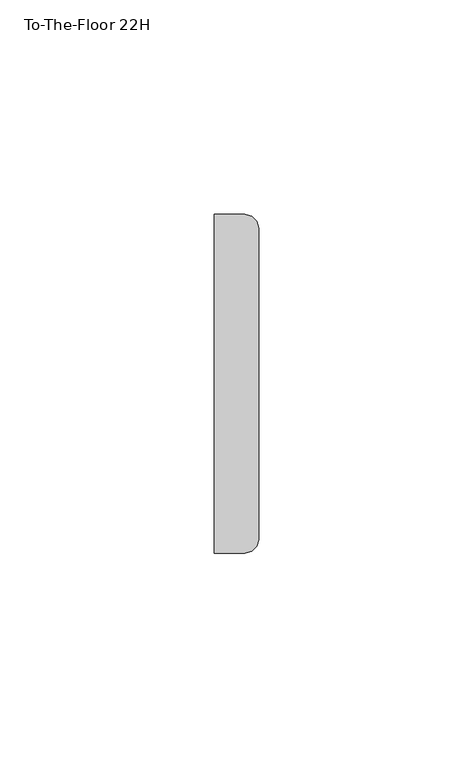
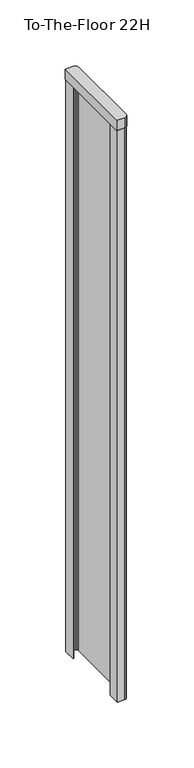
"""IFC4 building model written with IfcOpenShell, lengths in millimetres: furniture geometry, To-The-Floor 22H."""

import ifcopenshell
import ifcopenshell.guid

model = None  # the IFC model being written
_history = None  # IfcOwnerHistory: only IFC2X3 demands one
_inside = {}  # id of a spatial element -> (the spatial element, [elements in it])
_under = {}  # id of a project, library or spatial element -> (it, [spatial elements below it])
_declared = {}  # id of a project -> (the project, [libraries it declares])
_typed = {}  # id of a type object -> (the type object, [elements of that type])
_made_of = {}  # id of a material, layer set ... -> (it, [elements and type objects made of it])


def new_model(schema):
    """Start an empty IFC model of exactly this schema.

    Asked for "IFC4X3", IfcOpenShell would pick the latest addendum, in which some entities
    have other attributes; the version numbers below select the first issue.
    IFC2X3 requires an IfcOwnerHistory on every rooted entity: one is made here for all.
    """
    global model, _history
    if schema == "IFC4X3":
        model = ifcopenshell.file(schema_version=(4, 3, 0, 0))
    else:
        model = ifcopenshell.file(schema=schema)
    _inside.clear()
    _under.clear()
    _declared.clear()
    _typed.clear()
    _made_of.clear()
    _history = None
    if model.schema == "IFC2X3":
        org = make("IfcOrganization", Name="unknown")
        user = make(
            "IfcPersonAndOrganization",
            ThePerson=make("IfcPerson", FamilyName="unknown"),
            TheOrganization=org,
        )
        app = make(
            "IfcApplication",
            ApplicationDeveloper=org,
            Version="unknown",
            ApplicationFullName="unknown",
            ApplicationIdentifier="unknown",
        )
        _history = make(
            "IfcOwnerHistory",
            OwningUser=user,
            OwningApplication=app,
            ChangeAction="ADDED",
            CreationDate=0,
        )
    return model


def make(cls, **values):
    """One entity of the class cls with the attributes given. An attribute that is None is left unset."""
    return model.create_entity(
        cls, **{name: value for name, value in values.items() if value is not None}
    )


def rooted(cls, **values):
    """An entity with a GlobalId (a new one), such as an element, a storey or a relation."""
    return make(cls, GlobalId=ifcopenshell.guid.new(), OwnerHistory=_history, **values)


def si_unit(unit_type, name, prefix=None):
    """IfcSIUnit, for example si_unit("LENGTHUNIT", "METRE", prefix="MILLI")."""
    return make("IfcSIUnit", UnitType=unit_type, Prefix=prefix, Name=name)


def assignment(units):
    """IfcUnitAssignment: the units of a project."""
    return None if units is None else make("IfcUnitAssignment", Units=units)


def point(xyz):
    """IfcCartesianPoint."""
    return None if xyz is None else make("IfcCartesianPoint", Coordinates=xyz)


def direction(xyz):
    """IfcDirection."""
    return None if xyz is None else make("IfcDirection", DirectionRatios=xyz)


def frame(location, z_axis=None, x_axis=None):
    """IfcAxis2Placement3D, a coordinate frame: its origin and axes. An axis left out is left unset."""
    return make(
        "IfcAxis2Placement3D",
        Location=point(location),
        Axis=direction(z_axis),
        RefDirection=direction(x_axis),
    )


def origin():
    """The frame at (0, 0, 0) with its axes left unset."""
    return frame((0.0, 0.0, 0.0))


def place(relative_to, where):
    """IfcLocalPlacement: puts the frame where relative to a parent placement (None: the world)."""
    return make(
        "IfcLocalPlacement", PlacementRelTo=relative_to, RelativePlacement=where
    )


def context(
    kind, dimensions, precision=None, world=None, true_north=None, identifier=None
):
    """IfcGeometricRepresentationContext, for example the 3D "Model" context."""
    return make(
        "IfcGeometricRepresentationContext",
        ContextIdentifier=identifier,
        ContextType=kind,
        CoordinateSpaceDimension=dimensions,
        Precision=precision,
        WorldCoordinateSystem=world,
        TrueNorth=true_north,
    )


def project(units=None, contexts=None):
    """IfcProject with its units and contexts."""
    return rooted(
        "IfcProject",
        Name="project",
        RepresentationContexts=contexts,
        UnitsInContext=assignment(units),
    )


def spatial(cls, under=None, at=None, **own):
    """A site, building, storey or space (cls), placed at a placement, below another one or the project."""
    s = rooted(cls, ObjectPlacement=at, **own)
    if under is not None:
        _under.setdefault(under.id(), (under, []))[1].append(s)
    return s


def polyline(points):
    """IfcPolyline through the points."""
    return make("IfcPolyline", Points=[point(p) for p in points])


def outline(outer, holes=None, kind="AREA"):
    """IfcArbitraryClosedProfileDef: a profile drawn as a closed curve; with holes, ...WithVoids."""
    if holes is None:
        return make("IfcArbitraryClosedProfileDef", ProfileType=kind, OuterCurve=outer)
    return make(
        "IfcArbitraryProfileDefWithVoids",
        ProfileType=kind,
        OuterCurve=outer,
        InnerCurves=holes,
    )


def extrude(swept, where, along, depth):
    """IfcExtrudedAreaSolid: the profile swept, set in the frame where, extruded along a direction by depth."""
    return make(
        "IfcExtrudedAreaSolid",
        SweptArea=swept,
        Position=where,
        ExtrudedDirection=direction(along),
        Depth=depth,
    )


def shape(context_of_items, identifier, shape_type, items):
    """IfcShapeRepresentation: the items that make up one representation, for example the "Body"."""
    return make(
        "IfcShapeRepresentation",
        ContextOfItems=context_of_items,
        RepresentationIdentifier=identifier,
        RepresentationType=shape_type,
        Items=items,
    )


def source(mapping_origin, context_of_items, identifier, shape_type, items):
    """IfcRepresentationMap: a shape defined once, which mapped items show again and again."""
    return make(
        "IfcRepresentationMap",
        MappingOrigin=mapping_origin,
        MappedRepresentation=shape(context_of_items, identifier, shape_type, items),
    )


def transform(
    local_origin,
    x_axis=None,
    y_axis=None,
    z_axis=None,
    scale=None,
    scale2=None,
    scale3=None,
    uniform=True,
):
    """IfcCartesianTransformationOperator3D, or its non-uniform kind. x_axis, y_axis, z_axis: its Axis1, 2, 3."""
    if uniform:
        return make(
            "IfcCartesianTransformationOperator3D",
            Axis1=direction(x_axis),
            Axis2=direction(y_axis),
            LocalOrigin=point(local_origin),
            Scale=scale,
            Axis3=direction(z_axis),
        )
    return make(
        "IfcCartesianTransformationOperator3DnonUniform",
        Axis1=direction(x_axis),
        Axis2=direction(y_axis),
        LocalOrigin=point(local_origin),
        Scale=scale,
        Axis3=direction(z_axis),
        Scale2=scale2,
        Scale3=scale3,
    )


def mapped(mapping_source, mapping_target):
    """IfcMappedItem: shows the shape of a source again, moved by a transform."""
    return make(
        "IfcMappedItem", MappingSource=mapping_source, MappingTarget=mapping_target
    )


def made_of(thing, what):
    """Note that an element or type object is made of a material, layer set ...; save() writes the relation."""
    if what is not None:
        _made_of.setdefault(what.id(), (what, []))[1].append(thing)
    return thing


def element(
    cls,
    number,
    at=None,
    inside=None,
    cuts=None,
    type_object=None,
    material=None,
    context=None,
    identifier="Body",
    shape_type=None,
    held_by="IfcProductDefinitionShape",
    body=None,
    shapes=None,
    **own,
):
    """One element of the class cls, such as IfcWall. Its Tag is "e" and its number.

    at: its placement. inside: the storey or other place that contains it. cuts: it is an
    opening in that element (IfcRelVoidsElement). A single representation is given by context,
    identifier, shape_type and body (its items); several are given by shapes. held_by: the class
    of the entity that holds the representations. save() writes the other relations.
    """
    e = rooted(cls, Tag="e%d" % number, ObjectPlacement=at, **own)
    if body is not None:
        shapes = [shape(context, identifier, shape_type, body)]
    if shapes is not None:
        e.Representation = make(held_by, Representations=shapes)
    if inside is not None:
        _inside.setdefault(inside.id(), (inside, []))[1].append(e)
    if cuts is not None:
        rooted(
            "IfcRelVoidsElement", RelatingBuildingElement=cuts, RelatedOpeningElement=e
        )
    if type_object is not None:
        _typed.setdefault(type_object.id(), (type_object, []))[1].append(e)
    return made_of(e, material)


def aggregate(whole, parts):
    """IfcRelAggregates: a whole, such as a stair, and the parts it consists of."""
    return rooted("IfcRelAggregates", RelatingObject=whole, RelatedObjects=parts)


def save(model, path):
    """Write the relations noted so far, then the file.

    IfcRelAggregates (storeys below a building ...), IfcRelContainedInSpatialStructure (elements
    in a storey), IfcRelDefinesByType, IfcRelAssociatesMaterial and IfcRelDeclares: one each for
    every whole, place, type object, material and project.
    """
    for whole, parts in _under.values():
        aggregate(whole, parts)
    for where, things in _inside.values():
        rooted(
            "IfcRelContainedInSpatialStructure",
            RelatedElements=things,
            RelatingStructure=where,
        )
    for kind, things in _typed.values():
        rooted("IfcRelDefinesByType", RelatedObjects=things, RelatingType=kind)
    for what, things in _made_of.values():
        rooted("IfcRelAssociatesMaterial", RelatedObjects=things, RelatingMaterial=what)
    for by, libraries in _declared.values():
        rooted("IfcRelDeclares", RelatingContext=by, RelatedDefinitions=libraries)
    model.write(path)


def to_the_floor_22h_4382c4a7(model_context):
    return source(origin(), model_context, "Body", "SweptSolid", [
        extrude(outline(polyline([(0.0, -10.7823), (0.0, 0.0), (6.3500002, 0.0), (7.9374998, -0.4253693), (9.0996308, -1.5875), (9.525, -3.1750001), (9.525, -75.0570011), (9.0996308, -76.6445041), (7.9374998, -77.8066334), (6.3500002, -78.2319981), (0.0, -78.2319981), (0.0, -67.4242986), (0.7874, -67.4242986), (0.7874, -77.4445981), (6.2463381, -77.4445981), (7.5299127, -77.100669), (8.3936672, -76.2369158), (8.7376, -74.9533381), (8.7376, -3.2786632), (8.3936673, -1.9950883), (7.5299116, -1.1313329), (6.246337, -0.7874), (0.7874, -0.7874), (0.7874, -10.7823), (0.0, -10.7823)])), frame((0.0, 0.0, 14.3002), z_axis=(0.0, 0.0, 1.0), x_axis=(1.0, 0.0, 0.0)), (0.0, 0.0, 1.0), 534.9748),
        extrude(outline(polyline([(6.7183002, 0.3937), (8.3057998, -0.0316693), (9.4679308, -1.1938001), (9.8933006, -2.7813), (9.8933006, -75.4253016), (9.4679308, -77.0127956), (8.3057998, -78.174934), (6.7183002, -78.6002986), (-0.3937, -78.6002986), (-0.3937, 0.3937), (6.7183002, 0.3937)])), frame((0.0, 0.0, 549.275), z_axis=(0.0, 0.0, 1.0), x_axis=(1.0, 0.0, 0.0)), (0.0, 0.0, 1.0), 9.525),
    ])


if __name__ == "__main__":
    model = new_model("IFC4")
    model_context = context("Model", 3, world=origin())
    ifc_project = project(units=[si_unit("LENGTHUNIT", "METRE", prefix="MILLI")], contexts=[model_context])
    site = spatial("IfcSite", under=ifc_project)
    building = spatial("IfcBuilding", under=site)
    placement = place(None, origin())
    to_the_floor_22h_shape = to_the_floor_22h_4382c4a7(model_context)
    element("IfcFurniture", 1, ObjectType="To-The-Floor 22H", at=placement, inside=building, context=model_context, shape_type="MappedRepresentation", body=[
        mapped(to_the_floor_22h_shape, transform((0.0, 0.0, 0.0), x_axis=(1.0, 0.0, 0.0), y_axis=(0.0, 1.0, 0.0), z_axis=(0.0, 0.0, 1.0))),
    ])
    save(model, "model.ifc")
